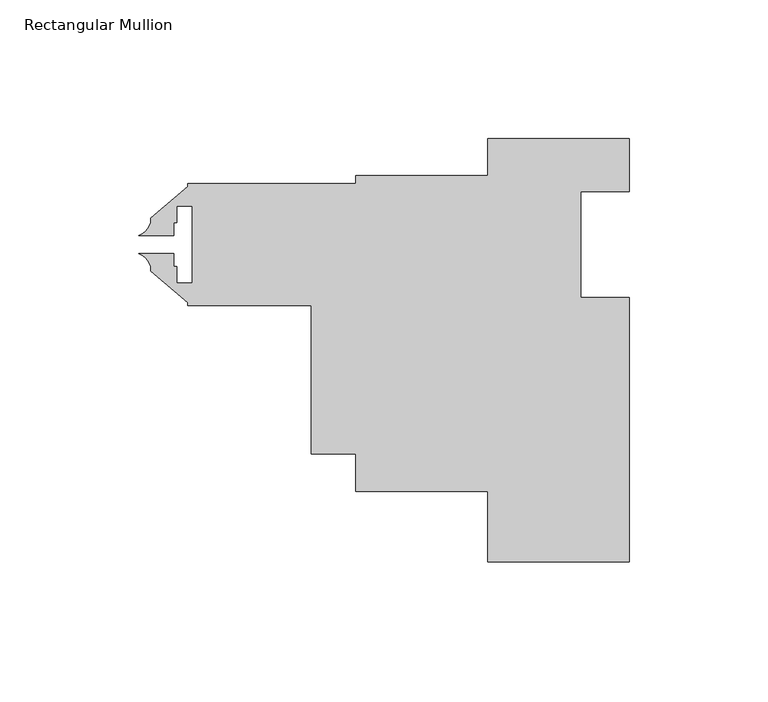
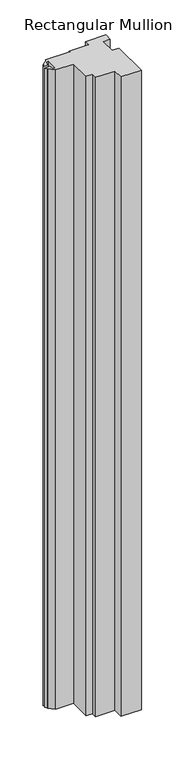
"""IFC4 building model written with IfcOpenShell, lengths in millimetres: member geometry, Rectangular Mullion."""

from ifc_helpers import new_model, si_unit, point, frame, frame_2d, origin, place, context, project, spatial, polyline, circle_curve, trimmed, segment, composite_curve, outline, extrude, source, transform, mapped, element, save


def rectangular_mullion_a80575d5(model_context):
    return source(origin(), model_context, "Body", "SweptSolid", [
        extrude(outline(composite_curve([segment(polyline([(25.4, 0.0), (25.4, -19.05), (7.9502, -19.05), (7.9502, -57.15), (25.4, -57.15), (25.4, -152.4), (-25.4, -152.4), (-25.4, -126.99492), (-73.025, -126.99492), (-73.025, -113.5126375), (-88.9, -113.5126375), (-88.9, -59.9948), (-133.35, -59.9948), (-133.35, -58.9282933), (-146.812, -47.632334), (-146.812, -45.9441997)]), True, "CONTINUOUS"), segment(trimmed(circle_curve(frame_2d((-154.1880024, -48.3343561)), 7.7535965), [point((-146.812, -45.9441997))], [point((-151.0098231, -41.2620555))], True, "CARTESIAN"), True, "CONTINUOUS"), segment(polyline([(-151.0098231, -41.2620555), (-138.51723, -41.2620555), (-138.51723, -46.0248), (-137.3886, -46.0248), (-137.3886, -51.9938), (-131.7752, -51.9938), (-131.7752, -24.2062), (-137.3886, -24.2062), (-137.3886, -30.1752), (-138.51723, -30.1752), (-138.51723, -34.9379445), (-151.0098231, -34.9379445)]), True, "CONTINUOUS"), segment(trimmed(circle_curve(frame_2d((-154.1880024, -27.8656439)), 7.7535965), [point((-151.0098231, -34.9379445))], [point((-146.812, -30.2558003))], True, "CARTESIAN"), True, "CONTINUOUS"), segment(polyline([(-146.812, -30.2558003), (-146.812, -28.567666), (-133.35, -17.2717067), (-133.35, -16.2052), (-73.025, -16.2052), (-73.025, -13.3096), (-25.4, -13.3096), (-25.4, 0.0), (25.4, 0.0)]), True, "CONTINUOUS")], self_intersect=False)), frame((0.0, 0.0, -1676.4), z_axis=(0.0, 0.0, 1.0), x_axis=(1.0, 0.0, 0.0)), (0.0, 0.0, 1.0), 1676.4),
    ])


if __name__ == "__main__":
    model = new_model("IFC4")
    model_context = context("Model", 3, world=origin())
    ifc_project = project(units=[si_unit("LENGTHUNIT", "METRE", prefix="MILLI")], contexts=[model_context])
    site = spatial("IfcSite", under=ifc_project)
    building = spatial("IfcBuilding", under=site)
    placement = place(None, origin())
    rectangular_mullion_shape = rectangular_mullion_a80575d5(model_context)
    element("IfcMember", 1, ObjectType="Rectangular Mullion", at=placement, inside=building, context=model_context, shape_type="MappedRepresentation", body=[
        mapped(rectangular_mullion_shape, transform((0.0, 0.0, 0.0), x_axis=(1.0, 0.0, 0.0), y_axis=(0.0, 1.0, 0.0), z_axis=(0.0, 0.0, 1.0))),
    ])
    save(model, "model.ifc")
